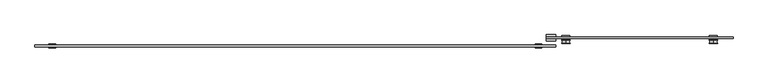
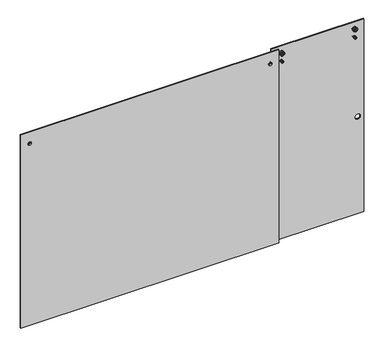
"""IFC4 building model written with IfcOpenShell, lengths in millimetres: proxy geometry."""

from ifc_helpers import new_model, si_unit, point, frame, frame_2d, origin, place, context, project, spatial, polyline, circle_curve, ellipse_curve, trimmed, segment, composite_curve, outline, extrude, source, transform, mapped, element, save
from ifc_brep_helpers import plane_surface, cylinder_surface, revolved_surface, advanced_brep


def specialty_equipment_2f8d8ad2(model_context):
    return source(origin(), model_context, "Body", "SolidModel", [
        extrude(outline(polyline([(22.954, 0.0), (22.954, 21.2725), (33.8125, 21.2725), (33.8125, 4.2672), (43.3375, 4.2672), (43.3375, 21.2725), (54.196, 21.2725), (54.196, 0.0), (22.954, 0.0)])), frame((833.4375, 0.0, 0.0), z_axis=(1.0, 0.0, 0.0), x_axis=(0.0, 1.0, 0.0)), (0.0, 0.0, 1.0), 50.8225782),
        advanced_brep(
        [(795.3375, 7.14375, 2011.5609375), (812.4825, 7.14375, 2011.5609375), (778.1925, 7.14375, 2011.5609375), (778.1925, -13.7914063, 2011.5609375), (812.4825, -13.7914063, 2011.5609375), (795.3375, -13.7914063, 2011.5609375), (778.1925, -8.73125, 2011.5609375), (812.4825, -8.73125, 2011.5609375), (788.9875, -8.73125, 2011.5609375), (801.6875, -8.73125, 2011.5609375), (788.9875, 0.79375, 2011.5609375), (801.6875, 0.79375, 2011.5609375), (778.1925, 0.79375, 2011.5609375), (812.4825, 0.79375, 2011.5609375)],
        [
            (0, 1),
            (1, 2, circle_curve(frame((795.3375, 7.14375, 2011.5609375), z_axis=(0.0, 1.0, 0.0), x_axis=(1.0, 0.0, 0.0)), 17.145)),
            (2, 0),
            (2, 1, circle_curve(frame((795.3375, 7.14375, 2011.5609375), z_axis=(0.0, 1.0, 0.0), x_axis=(1.0, 0.0, 0.0)), 17.145)),
            (3, 4, circle_curve(frame((795.3375, -13.7914063, 2011.5609375), z_axis=(0.0, -1.0, 0.0), x_axis=(1.0, 0.0, 0.0)), 17.145)),
            (4, 5),
            (5, 3),
            (4, 3, circle_curve(frame((795.3375, -13.7914063, 2011.5609375), z_axis=(0.0, -1.0, 0.0), x_axis=(1.0, 0.0, 0.0)), 17.145)),
            (6, 7, circle_curve(frame((795.3375, -8.73125, 2011.5609375), z_axis=(0.0, -1.0, 0.0), x_axis=(1.0, 0.0, 0.0)), 17.145)),
            (7, 4),
            (3, 6),
            (7, 6, circle_curve(frame((795.3375, -8.73125, 2011.5609375), z_axis=(0.0, -1.0, 0.0), x_axis=(1.0, 0.0, 0.0)), 17.145)),
            (8, 9, circle_curve(frame((795.3375, -8.73125, 2011.5609375), z_axis=(0.0, -1.0, 0.0), x_axis=(1.0, 0.0, 0.0)), 6.35)),
            (9, 7),
            (6, 8),
            (9, 8, circle_curve(frame((795.3375, -8.73125, 2011.5609375), z_axis=(0.0, -1.0, 0.0), x_axis=(1.0, 0.0, 0.0)), 6.35)),
            (10, 11, circle_curve(frame((795.3375, 0.79375, 2011.5609375), z_axis=(0.0, -1.0, 0.0), x_axis=(1.0, 0.0, 0.0)), 6.35)),
            (11, 9),
            (8, 10),
            (11, 10, circle_curve(frame((795.3375, 0.79375, 2011.5609375), z_axis=(0.0, -1.0, 0.0), x_axis=(1.0, 0.0, 0.0)), 6.35)),
            (12, 13, circle_curve(frame((795.3375, 0.79375, 2011.5609375), z_axis=(0.0, -1.0, 0.0), x_axis=(1.0, 0.0, 0.0)), 17.145)),
            (13, 11),
            (10, 12),
            (13, 12, circle_curve(frame((795.3375, 0.79375, 2011.5609375), z_axis=(0.0, -1.0, 0.0), x_axis=(1.0, 0.0, 0.0)), 17.145)),
            (1, 13),
            (12, 2),
        ],
        [
            plane_surface(frame((795.3375, 7.14375, 2011.5609375), z_axis=(0.0, 1.0, 0.0), x_axis=(1.0, 0.0, 0.0))),
            plane_surface(frame((795.3375, -13.7914063, 2011.5609375), z_axis=(0.0, -1.0, 0.0), x_axis=(1.0, 0.0, 0.0))),
            cylinder_surface(frame((795.3375, 7.14375, 2011.5609375), z_axis=(0.0, 1.0, 0.0), x_axis=(1.0, 0.0, 0.0)), 17.145),
            plane_surface(frame((795.3375, -8.73125, 2011.5609375), z_axis=(0.0, 1.0, 0.0), x_axis=(1.0, 0.0, 0.0))),
            cylinder_surface(frame((795.3375, 7.14375, 2011.5609375), z_axis=(0.0, 1.0, 0.0), x_axis=(1.0, 0.0, 0.0)), 6.35),
            plane_surface(frame((795.3375, 0.79375, 2011.5609375), z_axis=(0.0, -1.0, 0.0), x_axis=(1.0, 0.0, 0.0))),
        ],
        [
            (0, [[1, 2, 3]]),
            (0, [[-3, 4, -1]]),
            (1, [[5, 6, 7]]),
            (1, [[8, -7, -6]]),
            (2, [[9, 10, -5, 11]]),
            (2, [[12, -11, -8, -10]]),
            (3, [[13, 14, -9, 15]]),
            (3, [[16, -15, -12, -14]]),
            (4, [[17, 18, -13, 19]]),
            (4, [[20, -19, -16, -18]]),
            (5, [[21, 22, -17, 23]]),
            (5, [[24, -23, -20, -22]]),
            (2, [[-2, 25, -21, 26]]),
            (2, [[-4, -26, -24, -25]]),
        ],
    ),
        advanced_brep(
        [(-1706.5625, 7.14375, 2011.5609375), (-1689.4175, 7.14375, 2011.5609375), (-1723.7075, 7.14375, 2011.5609375), (-1723.7075, -13.7914063, 2011.5609375), (-1689.4175, -13.7914063, 2011.5609375), (-1706.5625, -13.7914063, 2011.5609375), (-1723.7075, -8.73125, 2011.5609375), (-1689.4175, -8.73125, 2011.5609375), (-1712.9125, -8.73125, 2011.5609375), (-1700.2125, -8.73125, 2011.5609375), (-1712.9125, 0.79375, 2011.5609375), (-1700.2125, 0.79375, 2011.5609375), (-1723.7075, 0.79375, 2011.5609375), (-1689.4175, 0.79375, 2011.5609375)],
        [
            (0, 1),
            (1, 2, circle_curve(frame((-1706.5625, 7.14375, 2011.5609375), z_axis=(0.0, 1.0, 0.0), x_axis=(1.0, 0.0, 0.0)), 17.145)),
            (2, 0),
            (2, 1, circle_curve(frame((-1706.5625, 7.14375, 2011.5609375), z_axis=(0.0, 1.0, 0.0), x_axis=(1.0, 0.0, 0.0)), 17.145)),
            (3, 4, circle_curve(frame((-1706.5625, -13.7914063, 2011.5609375), z_axis=(0.0, -1.0, 0.0), x_axis=(1.0, 0.0, 0.0)), 17.145)),
            (4, 5),
            (5, 3),
            (4, 3, circle_curve(frame((-1706.5625, -13.7914063, 2011.5609375), z_axis=(0.0, -1.0, 0.0), x_axis=(1.0, 0.0, 0.0)), 17.145)),
            (6, 7, circle_curve(frame((-1706.5625, -8.73125, 2011.5609375), z_axis=(0.0, -1.0, 0.0), x_axis=(1.0, 0.0, 0.0)), 17.145)),
            (7, 4),
            (3, 6),
            (7, 6, circle_curve(frame((-1706.5625, -8.73125, 2011.5609375), z_axis=(0.0, -1.0, 0.0), x_axis=(1.0, 0.0, 0.0)), 17.145)),
            (8, 9, circle_curve(frame((-1706.5625, -8.73125, 2011.5609375), z_axis=(0.0, -1.0, 0.0), x_axis=(1.0, 0.0, 0.0)), 6.35)),
            (9, 7),
            (6, 8),
            (9, 8, circle_curve(frame((-1706.5625, -8.73125, 2011.5609375), z_axis=(0.0, -1.0, 0.0), x_axis=(1.0, 0.0, 0.0)), 6.35)),
            (10, 11, circle_curve(frame((-1706.5625, 0.79375, 2011.5609375), z_axis=(0.0, -1.0, 0.0), x_axis=(1.0, 0.0, 0.0)), 6.35)),
            (11, 9),
            (8, 10),
            (11, 10, circle_curve(frame((-1706.5625, 0.79375, 2011.5609375), z_axis=(0.0, -1.0, 0.0), x_axis=(1.0, 0.0, 0.0)), 6.35)),
            (12, 13, circle_curve(frame((-1706.5625, 0.79375, 2011.5609375), z_axis=(0.0, -1.0, 0.0), x_axis=(1.0, 0.0, 0.0)), 17.145)),
            (13, 11),
            (10, 12),
            (13, 12, circle_curve(frame((-1706.5625, 0.79375, 2011.5609375), z_axis=(0.0, -1.0, 0.0), x_axis=(1.0, 0.0, 0.0)), 17.145)),
            (1, 13),
            (12, 2),
        ],
        [
            plane_surface(frame((-1706.5625, 7.14375, 2011.5609375), z_axis=(0.0, 1.0, 0.0), x_axis=(1.0, 0.0, 0.0))),
            plane_surface(frame((-1706.5625, -13.7914063, 2011.5609375), z_axis=(0.0, -1.0, 0.0), x_axis=(1.0, 0.0, 0.0))),
            cylinder_surface(frame((-1706.5625, 7.14375, 2011.5609375), z_axis=(0.0, 1.0, 0.0), x_axis=(1.0, 0.0, 0.0)), 17.145),
            plane_surface(frame((-1706.5625, -8.73125, 2011.5609375), z_axis=(0.0, 1.0, 0.0), x_axis=(1.0, 0.0, 0.0))),
            cylinder_surface(frame((-1706.5625, 7.14375, 2011.5609375), z_axis=(0.0, 1.0, 0.0), x_axis=(1.0, 0.0, 0.0)), 6.35),
            plane_surface(frame((-1706.5625, 0.79375, 2011.5609375), z_axis=(0.0, -1.0, 0.0), x_axis=(1.0, 0.0, 0.0))),
        ],
        [
            (0, [[1, 2, 3]]),
            (0, [[-3, 4, -1]]),
            (1, [[5, 6, 7]]),
            (1, [[8, -7, -6]]),
            (2, [[9, 10, -5, 11]]),
            (2, [[12, -11, -8, -10]]),
            (3, [[13, 14, -9, 15]]),
            (3, [[16, -15, -12, -14]]),
            (4, [[17, 18, -13, 19]]),
            (4, [[20, -19, -16, -18]]),
            (5, [[21, 22, -17, 23]]),
            (5, [[24, -23, -20, -22]]),
            (2, [[-2, 25, -21, 26]]),
            (2, [[-4, -26, -24, -25]]),
        ],
    ),
        extrude(outline(polyline([(884.2375, -8.73125), (-1795.4625, -8.73125), (-1795.4625, 0.79375), (884.2375, 0.79375), (884.2375, -8.73125)])), frame((0.0, 0.0, 6.35), z_axis=(0.0, 0.0, 1.0), x_axis=(1.0, 0.0, 0.0)), (0.0, 0.0, 1.0), 2127.25),
        advanced_brep(
        [(1693.8625, 7.5883812, 1975.7082127), (1693.8625, 7.5883812, 1968.0386623), (1693.8625, 7.5883812, 1970.2859375), (1693.8625, 7.5883812, 1973.4609375), (1693.8625, 8.985918, 1984.1389114), (1693.8625, 8.985918, 1959.6079636), (1693.8625, 7.6256516, 1960.4379605), (1693.8625, 7.6256516, 1983.3089145), (1693.8625, 26.3538192, 1984.2064616), (1693.8625, 26.3538192, 1959.5404134), (1693.8625, 27.4625, 1973.4609375), (1693.8625, 27.4625, 1970.2859375), (1693.8625, 27.4625, 1959.5404134), (1693.8625, 27.4625, 1984.2064616), (1693.8625, 8.6630529, 1975.7082127), (1693.8625, 8.6630529, 1968.0386623), (1693.8625, 8.6630529, 1978.8596289), (1693.8625, 8.6630529, 1964.8872461), (1693.8625, 7.6256516, 1978.8596289), (1693.8625, 7.6256516, 1964.8872461)],
        [
            (0, 1, circle_curve(frame((1693.8625, 7.5883812, 1971.8734375), z_axis=(0.0, -1.0, 0.0), x_axis=(0.0, 0.0, -1.0)), 3.8347752)),
            (1, 2),
            (2, 3, circle_curve(frame((1693.8625, 7.5883812, 1971.8734375), z_axis=(0.0, 1.0, 0.0), x_axis=(0.0, 0.0, -1.0)), 1.5875)),
            (3, 0),
            (1, 0, circle_curve(frame((1693.8625, 7.5883812, 1971.8734375), z_axis=(0.0, -1.0, 0.0), x_axis=(0.0, 0.0, -1.0)), 3.8347752)),
            (3, 2, circle_curve(frame((1693.8625, 7.5883812, 1971.8734375), z_axis=(0.0, 1.0, 0.0), x_axis=(0.0, 0.0, -1.0)), 1.5875)),
            (4, 5, circle_curve(frame((1693.8625, 8.985918, 1971.8734375), z_axis=(0.0, -1.0, 0.0), x_axis=(0.0, 0.0, -1.0)), 12.2654739)),
            (5, 6, circle_curve(frame((1693.8625, 8.5590054, 1960.4379605), z_axis=(-1.0, 0.0, 0.0), x_axis=(0.0, 1.0, 0.0)), 0.9333538)),
            (6, 7, circle_curve(frame((1693.8625, 7.6256516, 1971.8734375), z_axis=(0.0, 1.0, 0.0), x_axis=(0.0, 0.0, -1.0)), 11.435477)),
            (7, 4, circle_curve(frame((1693.8625, 8.5590054, 1983.3089145), z_axis=(-1.0, 0.0, 0.0), x_axis=(0.0, 1.0, 0.0)), 0.9333538)),
            (5, 4, circle_curve(frame((1693.8625, 8.985918, 1971.8734375), z_axis=(0.0, -1.0, 0.0), x_axis=(0.0, 0.0, -1.0)), 12.2654739)),
            (7, 6, circle_curve(frame((1693.8625, 7.6256516, 1971.8734375), z_axis=(0.0, 1.0, 0.0), x_axis=(0.0, 0.0, -1.0)), 11.435477)),
            (8, 9, circle_curve(frame((1693.8625, 26.3538192, 1971.8734375), z_axis=(0.0, -1.0, 0.0), x_axis=(0.0, 0.0, -1.0)), 12.3330241)),
            (9, 5, circle_curve(frame((1693.8625, 17.5686149, 1933.5407643), z_axis=(1.0, 0.0, 0.0), x_axis=(0.0, 1.0, 0.0)), 27.4437892)),
            (4, 8, circle_curve(frame((1693.8625, 17.5686149, 2010.2061107), z_axis=(1.0, 0.0, 0.0), x_axis=(0.0, 1.0, 0.0)), 27.4437892)),
            (9, 8, circle_curve(frame((1693.8625, 26.3538192, 1971.8734375), z_axis=(0.0, -1.0, 0.0), x_axis=(0.0, 0.0, -1.0)), 12.3330241)),
            (10, 11, circle_curve(frame((1693.8625, 27.4625, 1971.8734375), z_axis=(0.0, -1.0, 0.0), x_axis=(0.0, 0.0, -1.0)), 1.5875)),
            (11, 12),
            (12, 13, circle_curve(frame((1693.8625, 27.4625, 1971.8734375), z_axis=(0.0, 1.0, 0.0), x_axis=(0.0, 0.0, -1.0)), 12.3330241)),
            (13, 10),
            (11, 10, circle_curve(frame((1693.8625, 27.4625, 1971.8734375), z_axis=(0.0, -1.0, 0.0), x_axis=(0.0, 0.0, -1.0)), 1.5875)),
            (13, 12, circle_curve(frame((1693.8625, 27.4625, 1971.8734375), z_axis=(0.0, 1.0, 0.0), x_axis=(0.0, 0.0, -1.0)), 12.3330241)),
            (2, 11),
            (10, 3),
            (14, 15, circle_curve(frame((1693.8625, 8.6630529, 1971.8734375), z_axis=(0.0, -1.0, 0.0), x_axis=(0.0, 0.0, -1.0)), 3.8347752)),
            (15, 1),
            (0, 14),
            (15, 14, circle_curve(frame((1693.8625, 8.6630529, 1971.8734375), z_axis=(0.0, -1.0, 0.0), x_axis=(0.0, 0.0, -1.0)), 3.8347752)),
            (16, 17, circle_curve(frame((1693.8625, 8.6630529, 1971.8734375), z_axis=(0.0, -1.0, 0.0), x_axis=(0.0, 0.0, -1.0)), 6.9861914)),
            (17, 15),
            (14, 16),
            (17, 16, circle_curve(frame((1693.8625, 8.6630529, 1971.8734375), z_axis=(0.0, -1.0, 0.0), x_axis=(0.0, 0.0, -1.0)), 6.9861914)),
            (18, 19, circle_curve(frame((1693.8625, 7.6256516, 1971.8734375), z_axis=(0.0, -1.0, 0.0), x_axis=(0.0, 0.0, -1.0)), 6.9861914)),
            (19, 17),
            (16, 18),
            (19, 18, circle_curve(frame((1693.8625, 7.6256516, 1971.8734375), z_axis=(0.0, -1.0, 0.0), x_axis=(0.0, 0.0, -1.0)), 6.9861914)),
            (6, 19),
            (18, 7),
            (12, 9),
            (8, 13),
        ],
        [
            plane_surface(frame((1693.8625, 7.5883812, 1971.8734375), z_axis=(0.0, -1.0, 0.0), x_axis=(0.0, 0.0, -1.0))),
            revolved_surface(trimmed(ellipse_curve(frame((1693.8625, 8.5590054, 1960.4379605), z_axis=(1.0, 0.0, 0.0), x_axis=(0.0, 1.0, 0.0)), 0.9333538, 0.9333538), [point((1693.8625, 7.6256516, 1960.4379605))], [point((1693.8625, 8.985918, 1959.6079636))], True, "CARTESIAN"), (1693.8625, -13.5349359, 1971.8734375), (0.0, 1.0, 0.0)),
            revolved_surface(trimmed(ellipse_curve(frame((1693.8625, 17.5686149, 1933.5407643), z_axis=(-1.0, 0.0, 0.0), x_axis=(0.0, 1.0, 0.0)), 27.4437892, 27.4437892), [point((1693.8625, 8.985918, 1959.6079636))], [point((1693.8625, 26.3538192, 1959.5404134))], True, "CARTESIAN"), (1693.8625, -13.5349359, 1971.8734375), (0.0, 1.0, 0.0)),
            plane_surface(frame((1693.8625, 27.4625, 1971.8734375), z_axis=(0.0, 1.0, 0.0), x_axis=(0.0, 0.0, -1.0))),
            revolved_surface(polyline([(1693.8625, 27.4625, 1970.2859374999998), (1693.8625, 7.588381200000001, 1970.2859374999998)]), (1693.8625, -13.5349359, 1971.8734375), (0.0, 1.0, 0.0)),
            cylinder_surface(frame((1693.8625, -13.5349359, 1971.8734375), z_axis=(0.0, 1.0, 0.0), x_axis=(0.0, 0.0, -1.0)), 3.8347752),
            plane_surface(frame((1693.8625, 8.6630529, 1971.8734375), z_axis=(0.0, -1.0, 0.0), x_axis=(0.0, 0.0, -1.0))),
            revolved_surface(polyline([(1693.8625, 8.6630529, 1964.8872460999999), (1693.8625, 7.625651600000001, 1964.8872460999999)]), (1693.8625, -13.5349359, 1971.8734375), (0.0, 1.0, 0.0)),
            plane_surface(frame((1693.8625, 7.6256516, 1971.8734375), z_axis=(0.0, -1.0, 0.0), x_axis=(0.0, 0.0, -1.0))),
            cylinder_surface(frame((1693.8625, -13.5349359, 1971.8734375), z_axis=(0.0, 1.0, 0.0), x_axis=(0.0, 0.0, -1.0)), 12.3330241),
        ],
        [
            (0, [[1, 2, 3, 4]]),
            (0, [[5, -4, 6, -2]]),
            (1, [[7, 8, 9, 10]]),
            (1, [[11, -10, 12, -8]]),
            (2, [[13, 14, -7, 15]]),
            (2, [[16, -15, -11, -14]]),
            (3, [[17, 18, 19, 20]]),
            (3, [[21, -20, 22, -18]]),
            (4, [[-3, 23, -17, 24]]),
            (4, [[-6, -24, -21, -23]]),
            (5, [[25, 26, -1, 27]]),
            (5, [[28, -27, -5, -26]]),
            (6, [[29, 30, -25, 31]]),
            (6, [[32, -31, -28, -30]]),
            (7, [[33, 34, -29, 35]]),
            (7, [[36, -35, -32, -34]]),
            (8, [[-9, 37, -33, 38]]),
            (8, [[-12, -38, -36, -37]]),
            (9, [[-19, 39, -13, 40]]),
            (9, [[-22, -40, -16, -39]]),
        ],
    ),
        advanced_brep(
        [(1693.8625, 23.9534145, 2074.7365624), (1693.8625, 23.9534145, 2046.8103126), (1693.8625, 27.4625, 2046.8103126), (1693.8625, 27.4625, 2074.7365624), (1693.8625, 23.9534145, 2067.0068419), (1693.8625, 23.9534145, 2054.5400331), (1693.8625, 27.4625, 2067.0068419), (1693.8625, 27.4625, 2054.5400331), (1693.8625, 27.4625, 2062.3609375), (1693.8625, 27.4625, 2059.1859375), (1693.8625, 7.4625, 2067.0068419), (1693.8625, 7.4625, 2054.5400331), (1693.8625, 7.4625, 2059.1859375), (1693.8625, 7.4625, 2062.3609375), (1693.8625, 8.6630529, 2067.0068419), (1693.8625, 8.6630529, 2054.5400331), (1693.8625, 8.6630529, 2074.7365624), (1693.8625, 8.6630529, 2046.8103126), (1693.8625, 7.4625, 2074.7365624), (1693.8625, 7.4625, 2046.8103126), (1693.8625, 7.4625, 2081.7122212), (1693.8625, 7.4625, 2039.8346538), (1693.8625, 8.8478411, 2082.6587111), (1693.8625, 8.8478411, 2038.8881639), (1693.8625, 26.0771589, 2082.6587111), (1693.8625, 26.0771589, 2038.8881639), (1693.8625, 27.4625, 2081.7122212), (1693.8625, 27.4625, 2039.8346538)],
        [
            (0, 1, circle_curve(frame((1693.8625, 23.9534145, 2060.7734375), z_axis=(0.0, -1.0, 0.0), x_axis=(0.0, 0.0, -1.0)), 13.9631249)),
            (1, 2),
            (2, 3, circle_curve(frame((1693.8625, 27.4625, 2060.7734375), z_axis=(0.0, 1.0, 0.0), x_axis=(0.0, 0.0, -1.0)), 13.9631249)),
            (3, 0),
            (1, 0, circle_curve(frame((1693.8625, 23.9534145, 2060.7734375), z_axis=(0.0, -1.0, 0.0), x_axis=(0.0, 0.0, -1.0)), 13.9631249)),
            (3, 2, circle_curve(frame((1693.8625, 27.4625, 2060.7734375), z_axis=(0.0, 1.0, 0.0), x_axis=(0.0, 0.0, -1.0)), 13.9631249)),
            (4, 5, circle_curve(frame((1693.8625, 23.9534145, 2060.7734375), z_axis=(0.0, -1.0, 0.0), x_axis=(0.0, 0.0, -1.0)), 6.2334044)),
            (5, 1),
            (0, 4),
            (5, 4, circle_curve(frame((1693.8625, 23.9534145, 2060.7734375), z_axis=(0.0, -1.0, 0.0), x_axis=(0.0, 0.0, -1.0)), 6.2334044)),
            (6, 7, circle_curve(frame((1693.8625, 27.4625, 2060.7734375), z_axis=(0.0, -1.0, 0.0), x_axis=(0.0, 0.0, -1.0)), 6.2334044)),
            (7, 5),
            (4, 6),
            (7, 6, circle_curve(frame((1693.8625, 27.4625, 2060.7734375), z_axis=(0.0, -1.0, 0.0), x_axis=(0.0, 0.0, -1.0)), 6.2334044)),
            (8, 9, circle_curve(frame((1693.8625, 27.4625, 2060.7734375), z_axis=(0.0, -1.0, 0.0), x_axis=(0.0, 0.0, -1.0)), 1.5875)),
            (9, 7),
            (6, 8),
            (9, 8, circle_curve(frame((1693.8625, 27.4625, 2060.7734375), z_axis=(0.0, -1.0, 0.0), x_axis=(0.0, 0.0, -1.0)), 1.5875)),
            (10, 11, circle_curve(frame((1693.8625, 7.4625, 2060.7734375), z_axis=(0.0, -1.0, 0.0), x_axis=(0.0, 0.0, -1.0)), 6.2334044)),
            (11, 12),
            (12, 13, circle_curve(frame((1693.8625, 7.4625, 2060.7734375), z_axis=(0.0, 1.0, 0.0), x_axis=(0.0, 0.0, -1.0)), 1.5875)),
            (13, 10),
            (11, 10, circle_curve(frame((1693.8625, 7.4625, 2060.7734375), z_axis=(0.0, -1.0, 0.0), x_axis=(0.0, 0.0, -1.0)), 6.2334044)),
            (13, 12, circle_curve(frame((1693.8625, 7.4625, 2060.7734375), z_axis=(0.0, 1.0, 0.0), x_axis=(0.0, 0.0, -1.0)), 1.5875)),
            (14, 15, circle_curve(frame((1693.8625, 8.6630529, 2060.7734375), z_axis=(0.0, -1.0, 0.0), x_axis=(0.0, 0.0, -1.0)), 6.2334044)),
            (15, 11),
            (10, 14),
            (15, 14, circle_curve(frame((1693.8625, 8.6630529, 2060.7734375), z_axis=(0.0, -1.0, 0.0), x_axis=(0.0, 0.0, -1.0)), 6.2334044)),
            (16, 17, circle_curve(frame((1693.8625, 8.6630529, 2060.7734375), z_axis=(0.0, -1.0, 0.0), x_axis=(0.0, 0.0, -1.0)), 13.9631249)),
            (17, 15),
            (14, 16),
            (17, 16, circle_curve(frame((1693.8625, 8.6630529, 2060.7734375), z_axis=(0.0, -1.0, 0.0), x_axis=(0.0, 0.0, -1.0)), 13.9631249)),
            (18, 19, circle_curve(frame((1693.8625, 7.4625, 2060.7734375), z_axis=(0.0, -1.0, 0.0), x_axis=(0.0, 0.0, -1.0)), 13.9631249)),
            (19, 17),
            (16, 18),
            (19, 18, circle_curve(frame((1693.8625, 7.4625, 2060.7734375), z_axis=(0.0, -1.0, 0.0), x_axis=(0.0, 0.0, -1.0)), 13.9631249)),
            (20, 21, circle_curve(frame((1693.8625, 7.4625, 2060.7734375), z_axis=(0.0, -1.0, 0.0), x_axis=(0.0, 0.0, -1.0)), 20.9387837)),
            (21, 19),
            (18, 20),
            (21, 20, circle_curve(frame((1693.8625, 7.4625, 2060.7734375), z_axis=(0.0, -1.0, 0.0), x_axis=(0.0, 0.0, -1.0)), 20.9387837)),
            (22, 23, circle_curve(frame((1693.8625, 8.8478411, 2060.7734375), z_axis=(0.0, -1.0, 0.0), x_axis=(0.0, 0.0, -1.0)), 21.8852736)),
            (23, 21, circle_curve(frame((1693.8625, 8.4785, 2039.8346538), z_axis=(-1.0, 0.0, 0.0), x_axis=(0.0, 1.0, 0.0)), 1.016)),
            (20, 22, circle_curve(frame((1693.8625, 8.4785, 2081.7122212), z_axis=(-1.0, 0.0, 0.0), x_axis=(0.0, 1.0, 0.0)), 1.016)),
            (23, 22, circle_curve(frame((1693.8625, 8.8478411, 2060.7734375), z_axis=(0.0, -1.0, 0.0), x_axis=(0.0, 0.0, -1.0)), 21.8852736)),
            (24, 25, circle_curve(frame((1693.8625, 26.0771589, 2060.7734375), z_axis=(0.0, -1.0, 0.0), x_axis=(0.0, 0.0, -1.0)), 21.8852736)),
            (25, 23, circle_curve(frame((1693.8625, 17.4625, 2029.5308223), z_axis=(1.0, 0.0, 0.0), x_axis=(0.0, 1.0, 0.0)), 12.7189697)),
            (22, 24, circle_curve(frame((1693.8625, 17.4625, 2092.0160527), z_axis=(1.0, 0.0, 0.0), x_axis=(0.0, 1.0, 0.0)), 12.7189697)),
            (25, 24, circle_curve(frame((1693.8625, 26.0771589, 2060.7734375), z_axis=(0.0, -1.0, 0.0), x_axis=(0.0, 0.0, -1.0)), 21.8852736)),
            (26, 27, circle_curve(frame((1693.8625, 27.4625, 2060.7734375), z_axis=(0.0, -1.0, 0.0), x_axis=(0.0, 0.0, -1.0)), 20.9387837)),
            (27, 25, circle_curve(frame((1693.8625, 26.4465, 2039.8346538), z_axis=(-1.0, 0.0, 0.0), x_axis=(0.0, 1.0, 0.0)), 1.016)),
            (24, 26, circle_curve(frame((1693.8625, 26.4465, 2081.7122212), z_axis=(-1.0, 0.0, 0.0), x_axis=(0.0, 1.0, 0.0)), 1.016)),
            (27, 26, circle_curve(frame((1693.8625, 27.4625, 2060.7734375), z_axis=(0.0, -1.0, 0.0), x_axis=(0.0, 0.0, -1.0)), 20.9387837)),
            (2, 27),
            (26, 3),
            (12, 9),
            (8, 13),
        ],
        [
            revolved_surface(polyline([(1693.8625, 27.4625, 2046.8103126), (1693.8625, 23.9534145, 2046.8103126)]), (1693.8625, -10.752517, 2060.7734375), (0.0, 1.0, 0.0)),
            plane_surface(frame((1693.8625, 23.9534145, 2060.7734375), z_axis=(0.0, 1.0, 0.0), x_axis=(0.0, 0.0, -1.0))),
            cylinder_surface(frame((1693.8625, -10.752517, 2060.7734375), z_axis=(0.0, 1.0, 0.0), x_axis=(0.0, 0.0, -1.0)), 6.2334044),
            plane_surface(frame((1693.8625, 27.4625, 2060.7734375), z_axis=(0.0, 1.0, 0.0), x_axis=(0.0, 0.0, -1.0))),
            plane_surface(frame((1693.8625, 7.4625, 2060.7734375), z_axis=(0.0, -1.0, 0.0), x_axis=(0.0, 0.0, -1.0))),
            plane_surface(frame((1693.8625, 8.6630529, 2060.7734375), z_axis=(0.0, -1.0, 0.0), x_axis=(0.0, 0.0, -1.0))),
            revolved_surface(polyline([(1693.8625, 8.663052900000002, 2046.8103126), (1693.8625, 7.4625, 2046.8103126)]), (1693.8625, -10.752517, 2060.7734375), (0.0, 1.0, 0.0)),
            revolved_surface(trimmed(ellipse_curve(frame((1693.8625, 8.4785, 2039.8346538), z_axis=(1.0, 0.0, 0.0), x_axis=(0.0, 1.0, 0.0)), 1.016, 1.016), [point((1693.8625, 7.4625, 2039.8346538))], [point((1693.8625, 8.8478411, 2038.8881639))], True, "CARTESIAN"), (1693.8625, -10.752517, 2060.7734375), (0.0, 1.0, 0.0)),
            revolved_surface(trimmed(ellipse_curve(frame((1693.8625, 17.4625, 2029.5308223), z_axis=(-1.0, 0.0, 0.0), x_axis=(0.0, 1.0, 0.0)), 12.7189697, 12.7189697), [point((1693.8625, 8.8478411, 2038.8881639))], [point((1693.8625, 26.0771589, 2038.8881639))], True, "CARTESIAN"), (1693.8625, -10.752517, 2060.7734375), (0.0, 1.0, 0.0)),
            revolved_surface(trimmed(ellipse_curve(frame((1693.8625, 26.4465, 2039.8346538), z_axis=(1.0, 0.0, 0.0), x_axis=(0.0, 1.0, 0.0)), 1.016, 1.016), [point((1693.8625, 26.0771589, 2038.8881639))], [point((1693.8625, 27.4625, 2039.8346538))], True, "CARTESIAN"), (1693.8625, -10.752517, 2060.7734375), (0.0, 1.0, 0.0)),
            revolved_surface(polyline([(1693.8625, 27.4625, 2059.1859375), (1693.8625, 7.4625, 2059.1859375)]), (1693.8625, -10.752517, 2060.7734375), (0.0, 1.0, 0.0)),
        ],
        [
            (0, [[1, 2, 3, 4]]),
            (0, [[5, -4, 6, -2]]),
            (1, [[7, 8, -1, 9]]),
            (1, [[10, -9, -5, -8]]),
            (2, [[11, 12, -7, 13]]),
            (2, [[14, -13, -10, -12]]),
            (3, [[15, 16, -11, 17]]),
            (3, [[18, -17, -14, -16]]),
            (4, [[19, 20, 21, 22]]),
            (4, [[23, -22, 24, -20]]),
            (2, [[25, 26, -19, 27]]),
            (2, [[28, -27, -23, -26]]),
            (5, [[29, 30, -25, 31]]),
            (5, [[32, -31, -28, -30]]),
            (6, [[33, 34, -29, 35]]),
            (6, [[36, -35, -32, -34]]),
            (4, [[37, 38, -33, 39]]),
            (4, [[40, -39, -36, -38]]),
            (7, [[41, 42, -37, 43]]),
            (7, [[44, -43, -40, -42]]),
            (8, [[45, 46, -41, 47]]),
            (8, [[48, -47, -44, -46]]),
            (9, [[49, 50, -45, 51]]),
            (9, [[52, -51, -48, -50]]),
            (3, [[-3, 53, -49, 54]]),
            (3, [[-6, -54, -52, -53]]),
            (10, [[-21, 55, -15, 56]]),
            (10, [[-24, -56, -18, -55]]),
        ],
    ),
        extrude(outline(composite_curve([segment(trimmed(circle_curve(frame_2d((1971.8734375, 1693.8625)), 6.35), [point((1971.8734375, 1687.5125))], [point((1971.8734375, 1700.2125))], False, "CARTESIAN"), True, "CONTINUOUS"), segment(trimmed(circle_curve(frame_2d((1971.8734375, 1693.8625)), 6.35), [point((1971.8734375, 1700.2125))], [point((1971.8734375, 1687.5125))], False, "CARTESIAN"), True, "CONTINUOUS")], self_intersect=False)), frame((0.0, 33.8125, 0.0), z_axis=(0.0, 1.0, 0.0), x_axis=(0.0, 0.0, 1.0)), (0.0, 0.0, 1.0), 9.525),
        extrude(outline(composite_curve([segment(trimmed(circle_curve(frame_2d((2060.7734375, 1693.8625)), 6.35), [point((2060.7734375, 1687.5125))], [point((2060.7734375, 1700.2125))], False, "CARTESIAN"), True, "CONTINUOUS"), segment(trimmed(circle_curve(frame_2d((2060.7734375, 1693.8625)), 6.35), [point((2060.7734375, 1700.2125))], [point((2060.7734375, 1687.5125))], False, "CARTESIAN"), True, "CONTINUOUS")], self_intersect=False)), frame((0.0, 33.8125, 0.0), z_axis=(0.0, 1.0, 0.0), x_axis=(0.0, 0.0, 1.0)), (0.0, 0.0, 1.0), 9.525),
        extrude(outline(composite_curve([segment(trimmed(circle_curve(frame_2d((1971.8734375, 1693.8625)), 12.2900341), [point((1971.8734375, 1681.5724659))], [point((1971.8734375, 1706.1525341))], False, "CARTESIAN"), True, "CONTINUOUS"), segment(trimmed(circle_curve(frame_2d((1971.8734375, 1693.8625)), 12.2900341), [point((1971.8734375, 1706.1525341))], [point((1971.8734375, 1681.5724659))], False, "CARTESIAN"), True, "CONTINUOUS")], self_intersect=False)), frame((0.0, 43.3375, 0.0), z_axis=(0.0, 1.0, 0.0), x_axis=(0.0, 0.0, 1.0)), (0.0, 0.0, 1.0), 5.7785),
        extrude(outline(composite_curve([segment(trimmed(circle_curve(frame_2d((2060.7734375, 1693.8625)), 19.939), [point((2060.7734375, 1673.9235))], [point((2060.7734375, 1713.8015))], False, "CARTESIAN"), True, "CONTINUOUS"), segment(trimmed(circle_curve(frame_2d((2060.7734375, 1693.8625)), 19.939), [point((2060.7734375, 1713.8015))], [point((2060.7734375, 1673.9235))], False, "CARTESIAN"), True, "CONTINUOUS")], self_intersect=False)), frame((0.0, 43.3375, 0.0), z_axis=(0.0, 1.0, 0.0), x_axis=(0.0, 0.0, 1.0)), (0.0, 0.0, 1.0), 5.7625),
        extrude(outline(composite_curve([segment(trimmed(circle_curve(frame_2d((2060.7734375, 1693.8625)), 19.939), [point((2060.7734375, 1673.9235))], [point((2060.7734375, 1713.8015))], False, "CARTESIAN"), True, "CONTINUOUS"), segment(trimmed(circle_curve(frame_2d((2060.7734375, 1693.8625)), 19.939), [point((2060.7734375, 1713.8015))], [point((2060.7734375, 1673.9235))], False, "CARTESIAN"), True, "CONTINUOUS")], self_intersect=False)), frame((0.0, 27.4625, 0.0), z_axis=(0.0, 1.0, 0.0), x_axis=(0.0, 0.0, 1.0)), (0.0, 0.0, 1.0), 6.35),
        extrude(outline(composite_curve([segment(trimmed(circle_curve(frame_2d((1971.8734375, 1693.8625)), 12.3344302), [point((1971.8734375, 1681.5280698))], [point((1971.8734375, 1706.1969302))], False, "CARTESIAN"), True, "CONTINUOUS"), segment(trimmed(circle_curve(frame_2d((1971.8734375, 1693.8625)), 12.3344302), [point((1971.8734375, 1706.1969302))], [point((1971.8734375, 1681.5280698))], False, "CARTESIAN"), True, "CONTINUOUS")], self_intersect=False)), frame((0.0, 27.4625, 0.0), z_axis=(0.0, 1.0, 0.0), x_axis=(0.0, 0.0, 1.0)), (0.0, 0.0, 1.0), 6.35),
        advanced_brep(
        [(935.0375, 7.5883812, 1975.7082127), (935.0375, 7.5883812, 1968.0386623), (935.0375, 7.5883812, 1970.2859375), (935.0375, 7.5883812, 1973.4609375), (935.0375, 8.985918, 1984.1389114), (935.0375, 8.985918, 1959.6079636), (935.0375, 7.6256516, 1960.4379605), (935.0375, 7.6256516, 1983.3089145), (935.0375, 26.3538192, 1984.2064616), (935.0375, 26.3538192, 1959.5404134), (935.0375, 27.4625, 1973.4609375), (935.0375, 27.4625, 1970.2859375), (935.0375, 27.4625, 1959.5404134), (935.0375, 27.4625, 1984.2064616), (935.0375, 8.6630529, 1975.7082127), (935.0375, 8.6630529, 1968.0386623), (935.0375, 8.6630529, 1978.8596289), (935.0375, 8.6630529, 1964.8872461), (935.0375, 7.6256516, 1978.8596289), (935.0375, 7.6256516, 1964.8872461)],
        [
            (0, 1, circle_curve(frame((935.0375, 7.5883812, 1971.8734375), z_axis=(0.0, -1.0, 0.0), x_axis=(0.0, 0.0, -1.0)), 3.8347752)),
            (1, 2),
            (2, 3, circle_curve(frame((935.0375, 7.5883812, 1971.8734375), z_axis=(0.0, 1.0, 0.0), x_axis=(0.0, 0.0, -1.0)), 1.5875)),
            (3, 0),
            (1, 0, circle_curve(frame((935.0375, 7.5883812, 1971.8734375), z_axis=(0.0, -1.0, 0.0), x_axis=(0.0, 0.0, -1.0)), 3.8347752)),
            (3, 2, circle_curve(frame((935.0375, 7.5883812, 1971.8734375), z_axis=(0.0, 1.0, 0.0), x_axis=(0.0, 0.0, -1.0)), 1.5875)),
            (4, 5, circle_curve(frame((935.0375, 8.985918, 1971.8734375), z_axis=(0.0, -1.0, 0.0), x_axis=(0.0, 0.0, -1.0)), 12.2654739)),
            (5, 6, circle_curve(frame((935.0375, 8.5590054, 1960.4379605), z_axis=(-1.0, 0.0, 0.0), x_axis=(0.0, 1.0, 0.0)), 0.9333538)),
            (6, 7, circle_curve(frame((935.0375, 7.6256516, 1971.8734375), z_axis=(0.0, 1.0, 0.0), x_axis=(0.0, 0.0, -1.0)), 11.435477)),
            (7, 4, circle_curve(frame((935.0375, 8.5590054, 1983.3089145), z_axis=(-1.0, 0.0, 0.0), x_axis=(0.0, 1.0, 0.0)), 0.9333538)),
            (5, 4, circle_curve(frame((935.0375, 8.985918, 1971.8734375), z_axis=(0.0, -1.0, 0.0), x_axis=(0.0, 0.0, -1.0)), 12.2654739)),
            (7, 6, circle_curve(frame((935.0375, 7.6256516, 1971.8734375), z_axis=(0.0, 1.0, 0.0), x_axis=(0.0, 0.0, -1.0)), 11.435477)),
            (8, 9, circle_curve(frame((935.0375, 26.3538192, 1971.8734375), z_axis=(0.0, -1.0, 0.0), x_axis=(0.0, 0.0, -1.0)), 12.3330241)),
            (9, 5, circle_curve(frame((935.0375, 17.5686149, 1933.5407643), z_axis=(1.0, 0.0, 0.0), x_axis=(0.0, 1.0, 0.0)), 27.4437892)),
            (4, 8, circle_curve(frame((935.0375, 17.5686149, 2010.2061107), z_axis=(1.0, 0.0, 0.0), x_axis=(0.0, 1.0, 0.0)), 27.4437892)),
            (9, 8, circle_curve(frame((935.0375, 26.3538192, 1971.8734375), z_axis=(0.0, -1.0, 0.0), x_axis=(0.0, 0.0, -1.0)), 12.3330241)),
            (10, 11, circle_curve(frame((935.0375, 27.4625, 1971.8734375), z_axis=(0.0, -1.0, 0.0), x_axis=(0.0, 0.0, -1.0)), 1.5875)),
            (11, 12),
            (12, 13, circle_curve(frame((935.0375, 27.4625, 1971.8734375), z_axis=(0.0, 1.0, 0.0), x_axis=(0.0, 0.0, -1.0)), 12.3330241)),
            (13, 10),
            (11, 10, circle_curve(frame((935.0375, 27.4625, 1971.8734375), z_axis=(0.0, -1.0, 0.0), x_axis=(0.0, 0.0, -1.0)), 1.5875)),
            (13, 12, circle_curve(frame((935.0375, 27.4625, 1971.8734375), z_axis=(0.0, 1.0, 0.0), x_axis=(0.0, 0.0, -1.0)), 12.3330241)),
            (2, 11),
            (10, 3),
            (14, 15, circle_curve(frame((935.0375, 8.6630529, 1971.8734375), z_axis=(0.0, -1.0, 0.0), x_axis=(0.0, 0.0, -1.0)), 3.8347752)),
            (15, 1),
            (0, 14),
            (15, 14, circle_curve(frame((935.0375, 8.6630529, 1971.8734375), z_axis=(0.0, -1.0, 0.0), x_axis=(0.0, 0.0, -1.0)), 3.8347752)),
            (16, 17, circle_curve(frame((935.0375, 8.6630529, 1971.8734375), z_axis=(0.0, -1.0, 0.0), x_axis=(0.0, 0.0, -1.0)), 6.9861914)),
            (17, 15),
            (14, 16),
            (17, 16, circle_curve(frame((935.0375, 8.6630529, 1971.8734375), z_axis=(0.0, -1.0, 0.0), x_axis=(0.0, 0.0, -1.0)), 6.9861914)),
            (18, 19, circle_curve(frame((935.0375, 7.6256516, 1971.8734375), z_axis=(0.0, -1.0, 0.0), x_axis=(0.0, 0.0, -1.0)), 6.9861914)),
            (19, 17),
            (16, 18),
            (19, 18, circle_curve(frame((935.0375, 7.6256516, 1971.8734375), z_axis=(0.0, -1.0, 0.0), x_axis=(0.0, 0.0, -1.0)), 6.9861914)),
            (6, 19),
            (18, 7),
            (12, 9),
            (8, 13),
        ],
        [
            plane_surface(frame((935.0375, 7.5883812, 1971.8734375), z_axis=(0.0, -1.0, 0.0), x_axis=(0.0, 0.0, -1.0))),
            revolved_surface(trimmed(ellipse_curve(frame((935.0375, 8.5590054, 1960.4379605), z_axis=(1.0, 0.0, 0.0), x_axis=(0.0, 1.0, 0.0)), 0.9333538, 0.9333538), [point((935.0375, 7.6256516, 1960.4379605))], [point((935.0375, 8.985918, 1959.6079636))], True, "CARTESIAN"), (935.0375, -13.5349359, 1971.8734375), (0.0, 1.0, 0.0)),
            revolved_surface(trimmed(ellipse_curve(frame((935.0375, 17.5686149, 1933.5407643), z_axis=(-1.0, 0.0, 0.0), x_axis=(0.0, 1.0, 0.0)), 27.4437892, 27.4437892), [point((935.0375, 8.985918, 1959.6079636))], [point((935.0375, 26.3538192, 1959.5404134))], True, "CARTESIAN"), (935.0375, -13.5349359, 1971.8734375), (0.0, 1.0, 0.0)),
            plane_surface(frame((935.0375, 27.4625, 1971.8734375), z_axis=(0.0, 1.0, 0.0), x_axis=(0.0, 0.0, -1.0))),
            revolved_surface(polyline([(935.0375, 27.4625, 1970.2859374999998), (935.0375, 7.588381200000001, 1970.2859374999998)]), (935.0375, -13.5349359, 1971.8734375), (0.0, 1.0, 0.0)),
            cylinder_surface(frame((935.0375, -13.5349359, 1971.8734375), z_axis=(0.0, 1.0, 0.0), x_axis=(0.0, 0.0, -1.0)), 3.8347752),
            plane_surface(frame((935.0375, 8.6630529, 1971.8734375), z_axis=(0.0, -1.0, 0.0), x_axis=(0.0, 0.0, -1.0))),
            revolved_surface(polyline([(935.0375, 8.6630529, 1964.8872460999999), (935.0375, 7.625651600000001, 1964.8872460999999)]), (935.0375, -13.5349359, 1971.8734375), (0.0, 1.0, 0.0)),
            plane_surface(frame((935.0375, 7.6256516, 1971.8734375), z_axis=(0.0, -1.0, 0.0), x_axis=(0.0, 0.0, -1.0))),
            cylinder_surface(frame((935.0375, -13.5349359, 1971.8734375), z_axis=(0.0, 1.0, 0.0), x_axis=(0.0, 0.0, -1.0)), 12.3330241),
        ],
        [
            (0, [[1, 2, 3, 4]]),
            (0, [[5, -4, 6, -2]]),
            (1, [[7, 8, 9, 10]]),
            (1, [[11, -10, 12, -8]]),
            (2, [[13, 14, -7, 15]]),
            (2, [[16, -15, -11, -14]]),
            (3, [[17, 18, 19, 20]]),
            (3, [[21, -20, 22, -18]]),
            (4, [[-3, 23, -17, 24]]),
            (4, [[-6, -24, -21, -23]]),
            (5, [[25, 26, -1, 27]]),
            (5, [[28, -27, -5, -26]]),
            (6, [[29, 30, -25, 31]]),
            (6, [[32, -31, -28, -30]]),
            (7, [[33, 34, -29, 35]]),
            (7, [[36, -35, -32, -34]]),
            (8, [[-9, 37, -33, 38]]),
            (8, [[-12, -38, -36, -37]]),
            (9, [[-19, 39, -13, 40]]),
            (9, [[-22, -40, -16, -39]]),
        ],
    ),
        advanced_brep(
        [(935.0375, 23.9534145, 2074.7365624), (935.0375, 23.9534145, 2046.8103126), (935.0375, 27.4625, 2046.8103126), (935.0375, 27.4625, 2074.7365624), (935.0375, 23.9534145, 2067.0068419), (935.0375, 23.9534145, 2054.5400331), (935.0375, 27.4625, 2067.0068419), (935.0375, 27.4625, 2054.5400331), (935.0375, 27.4625, 2062.3609375), (935.0375, 27.4625, 2059.1859375), (935.0375, 7.4625, 2067.0068419), (935.0375, 7.4625, 2054.5400331), (935.0375, 7.4625, 2059.1859375), (935.0375, 7.4625, 2062.3609375), (935.0375, 8.6630529, 2067.0068419), (935.0375, 8.6630529, 2054.5400331), (935.0375, 8.6630529, 2074.7365624), (935.0375, 8.6630529, 2046.8103126), (935.0375, 7.4625, 2074.7365624), (935.0375, 7.4625, 2046.8103126), (935.0375, 7.4625, 2081.7122212), (935.0375, 7.4625, 2039.8346538), (935.0375, 8.8478411, 2082.6587111), (935.0375, 8.8478411, 2038.8881639), (935.0375, 26.0771589, 2082.6587111), (935.0375, 26.0771589, 2038.8881639), (935.0375, 27.4625, 2081.7122212), (935.0375, 27.4625, 2039.8346538)],
        [
            (0, 1, circle_curve(frame((935.0375, 23.9534145, 2060.7734375), z_axis=(0.0, -1.0, 0.0), x_axis=(0.0, 0.0, -1.0)), 13.9631249)),
            (1, 2),
            (2, 3, circle_curve(frame((935.0375, 27.4625, 2060.7734375), z_axis=(0.0, 1.0, 0.0), x_axis=(0.0, 0.0, -1.0)), 13.9631249)),
            (3, 0),
            (1, 0, circle_curve(frame((935.0375, 23.9534145, 2060.7734375), z_axis=(0.0, -1.0, 0.0), x_axis=(0.0, 0.0, -1.0)), 13.9631249)),
            (3, 2, circle_curve(frame((935.0375, 27.4625, 2060.7734375), z_axis=(0.0, 1.0, 0.0), x_axis=(0.0, 0.0, -1.0)), 13.9631249)),
            (4, 5, circle_curve(frame((935.0375, 23.9534145, 2060.7734375), z_axis=(0.0, -1.0, 0.0), x_axis=(0.0, 0.0, -1.0)), 6.2334044)),
            (5, 1),
            (0, 4),
            (5, 4, circle_curve(frame((935.0375, 23.9534145, 2060.7734375), z_axis=(0.0, -1.0, 0.0), x_axis=(0.0, 0.0, -1.0)), 6.2334044)),
            (6, 7, circle_curve(frame((935.0375, 27.4625, 2060.7734375), z_axis=(0.0, -1.0, 0.0), x_axis=(0.0, 0.0, -1.0)), 6.2334044)),
            (7, 5),
            (4, 6),
            (7, 6, circle_curve(frame((935.0375, 27.4625, 2060.7734375), z_axis=(0.0, -1.0, 0.0), x_axis=(0.0, 0.0, -1.0)), 6.2334044)),
            (8, 9, circle_curve(frame((935.0375, 27.4625, 2060.7734375), z_axis=(0.0, -1.0, 0.0), x_axis=(0.0, 0.0, -1.0)), 1.5875)),
            (9, 7),
            (6, 8),
            (9, 8, circle_curve(frame((935.0375, 27.4625, 2060.7734375), z_axis=(0.0, -1.0, 0.0), x_axis=(0.0, 0.0, -1.0)), 1.5875)),
            (10, 11, circle_curve(frame((935.0375, 7.4625, 2060.7734375), z_axis=(0.0, -1.0, 0.0), x_axis=(0.0, 0.0, -1.0)), 6.2334044)),
            (11, 12),
            (12, 13, circle_curve(frame((935.0375, 7.4625, 2060.7734375), z_axis=(0.0, 1.0, 0.0), x_axis=(0.0, 0.0, -1.0)), 1.5875)),
            (13, 10),
            (11, 10, circle_curve(frame((935.0375, 7.4625, 2060.7734375), z_axis=(0.0, -1.0, 0.0), x_axis=(0.0, 0.0, -1.0)), 6.2334044)),
            (13, 12, circle_curve(frame((935.0375, 7.4625, 2060.7734375), z_axis=(0.0, 1.0, 0.0), x_axis=(0.0, 0.0, -1.0)), 1.5875)),
            (14, 15, circle_curve(frame((935.0375, 8.6630529, 2060.7734375), z_axis=(0.0, -1.0, 0.0), x_axis=(0.0, 0.0, -1.0)), 6.2334044)),
            (15, 11),
            (10, 14),
            (15, 14, circle_curve(frame((935.0375, 8.6630529, 2060.7734375), z_axis=(0.0, -1.0, 0.0), x_axis=(0.0, 0.0, -1.0)), 6.2334044)),
            (16, 17, circle_curve(frame((935.0375, 8.6630529, 2060.7734375), z_axis=(0.0, -1.0, 0.0), x_axis=(0.0, 0.0, -1.0)), 13.9631249)),
            (17, 15),
            (14, 16),
            (17, 16, circle_curve(frame((935.0375, 8.6630529, 2060.7734375), z_axis=(0.0, -1.0, 0.0), x_axis=(0.0, 0.0, -1.0)), 13.9631249)),
            (18, 19, circle_curve(frame((935.0375, 7.4625, 2060.7734375), z_axis=(0.0, -1.0, 0.0), x_axis=(0.0, 0.0, -1.0)), 13.9631249)),
            (19, 17),
            (16, 18),
            (19, 18, circle_curve(frame((935.0375, 7.4625, 2060.7734375), z_axis=(0.0, -1.0, 0.0), x_axis=(0.0, 0.0, -1.0)), 13.9631249)),
            (20, 21, circle_curve(frame((935.0375, 7.4625, 2060.7734375), z_axis=(0.0, -1.0, 0.0), x_axis=(0.0, 0.0, -1.0)), 20.9387837)),
            (21, 19),
            (18, 20),
            (21, 20, circle_curve(frame((935.0375, 7.4625, 2060.7734375), z_axis=(0.0, -1.0, 0.0), x_axis=(0.0, 0.0, -1.0)), 20.9387837)),
            (22, 23, circle_curve(frame((935.0375, 8.8478411, 2060.7734375), z_axis=(0.0, -1.0, 0.0), x_axis=(0.0, 0.0, -1.0)), 21.8852736)),
            (23, 21, circle_curve(frame((935.0375, 8.4785, 2039.8346538), z_axis=(-1.0, 0.0, 0.0), x_axis=(0.0, 1.0, 0.0)), 1.016)),
            (20, 22, circle_curve(frame((935.0375, 8.4785, 2081.7122212), z_axis=(-1.0, 0.0, 0.0), x_axis=(0.0, 1.0, 0.0)), 1.016)),
            (23, 22, circle_curve(frame((935.0375, 8.8478411, 2060.7734375), z_axis=(0.0, -1.0, 0.0), x_axis=(0.0, 0.0, -1.0)), 21.8852736)),
            (24, 25, circle_curve(frame((935.0375, 26.0771589, 2060.7734375), z_axis=(0.0, -1.0, 0.0), x_axis=(0.0, 0.0, -1.0)), 21.8852736)),
            (25, 23, circle_curve(frame((935.0375, 17.4625, 2029.5308223), z_axis=(1.0, 0.0, 0.0), x_axis=(0.0, 1.0, 0.0)), 12.7189697)),
            (22, 24, circle_curve(frame((935.0375, 17.4625, 2092.0160527), z_axis=(1.0, 0.0, 0.0), x_axis=(0.0, 1.0, 0.0)), 12.7189697)),
            (25, 24, circle_curve(frame((935.0375, 26.0771589, 2060.7734375), z_axis=(0.0, -1.0, 0.0), x_axis=(0.0, 0.0, -1.0)), 21.8852736)),
            (26, 27, circle_curve(frame((935.0375, 27.4625, 2060.7734375), z_axis=(0.0, -1.0, 0.0), x_axis=(0.0, 0.0, -1.0)), 20.9387837)),
            (27, 25, circle_curve(frame((935.0375, 26.4465, 2039.8346538), z_axis=(-1.0, 0.0, 0.0), x_axis=(0.0, 1.0, 0.0)), 1.016)),
            (24, 26, circle_curve(frame((935.0375, 26.4465, 2081.7122212), z_axis=(-1.0, 0.0, 0.0), x_axis=(0.0, 1.0, 0.0)), 1.016)),
            (27, 26, circle_curve(frame((935.0375, 27.4625, 2060.7734375), z_axis=(0.0, -1.0, 0.0), x_axis=(0.0, 0.0, -1.0)), 20.9387837)),
            (2, 27),
            (26, 3),
            (12, 9),
            (8, 13),
        ],
        [
            revolved_surface(polyline([(935.0375, 27.4625, 2046.8103126), (935.0375, 23.9534145, 2046.8103126)]), (935.0375, -10.752517, 2060.7734375), (0.0, 1.0, 0.0)),
            plane_surface(frame((935.0375, 23.9534145, 2060.7734375), z_axis=(0.0, 1.0, 0.0), x_axis=(0.0, 0.0, -1.0))),
            cylinder_surface(frame((935.0375, -10.752517, 2060.7734375), z_axis=(0.0, 1.0, 0.0), x_axis=(0.0, 0.0, -1.0)), 6.2334044),
            plane_surface(frame((935.0375, 27.4625, 2060.7734375), z_axis=(0.0, 1.0, 0.0), x_axis=(0.0, 0.0, -1.0))),
            plane_surface(frame((935.0375, 7.4625, 2060.7734375), z_axis=(0.0, -1.0, 0.0), x_axis=(0.0, 0.0, -1.0))),
            plane_surface(frame((935.0375, 8.6630529, 2060.7734375), z_axis=(0.0, -1.0, 0.0), x_axis=(0.0, 0.0, -1.0))),
            revolved_surface(polyline([(935.0375, 8.663052900000002, 2046.8103126), (935.0375, 7.4625, 2046.8103126)]), (935.0375, -10.752517, 2060.7734375), (0.0, 1.0, 0.0)),
            revolved_surface(trimmed(ellipse_curve(frame((935.0375, 8.4785, 2039.8346538), z_axis=(1.0, 0.0, 0.0), x_axis=(0.0, 1.0, 0.0)), 1.016, 1.016), [point((935.0375, 7.4625, 2039.8346538))], [point((935.0375, 8.8478411, 2038.8881639))], True, "CARTESIAN"), (935.0375, -10.752517, 2060.7734375), (0.0, 1.0, 0.0)),
            revolved_surface(trimmed(ellipse_curve(frame((935.0375, 17.4625, 2029.5308223), z_axis=(-1.0, 0.0, 0.0), x_axis=(0.0, 1.0, 0.0)), 12.7189697, 12.7189697), [point((935.0375, 8.8478411, 2038.8881639))], [point((935.0375, 26.0771589, 2038.8881639))], True, "CARTESIAN"), (935.0375, -10.752517, 2060.7734375), (0.0, 1.0, 0.0)),
            revolved_surface(trimmed(ellipse_curve(frame((935.0375, 26.4465, 2039.8346538), z_axis=(1.0, 0.0, 0.0), x_axis=(0.0, 1.0, 0.0)), 1.016, 1.016), [point((935.0375, 26.0771589, 2038.8881639))], [point((935.0375, 27.4625, 2039.8346538))], True, "CARTESIAN"), (935.0375, -10.752517, 2060.7734375), (0.0, 1.0, 0.0)),
            revolved_surface(polyline([(935.0375, 27.4625, 2059.1859375), (935.0375, 7.4625, 2059.1859375)]), (935.0375, -10.752517, 2060.7734375), (0.0, 1.0, 0.0)),
        ],
        [
            (0, [[1, 2, 3, 4]]),
            (0, [[5, -4, 6, -2]]),
            (1, [[7, 8, -1, 9]]),
            (1, [[10, -9, -5, -8]]),
            (2, [[11, 12, -7, 13]]),
            (2, [[14, -13, -10, -12]]),
            (3, [[15, 16, -11, 17]]),
            (3, [[18, -17, -14, -16]]),
            (4, [[19, 20, 21, 22]]),
            (4, [[23, -22, 24, -20]]),
            (2, [[25, 26, -19, 27]]),
            (2, [[28, -27, -23, -26]]),
            (5, [[29, 30, -25, 31]]),
            (5, [[32, -31, -28, -30]]),
            (6, [[33, 34, -29, 35]]),
            (6, [[36, -35, -32, -34]]),
            (4, [[37, 38, -33, 39]]),
            (4, [[40, -39, -36, -38]]),
            (7, [[41, 42, -37, 43]]),
            (7, [[44, -43, -40, -42]]),
            (8, [[45, 46, -41, 47]]),
            (8, [[48, -47, -44, -46]]),
            (9, [[49, 50, -45, 51]]),
            (9, [[52, -51, -48, -50]]),
            (3, [[-3, 53, -49, 54]]),
            (3, [[-6, -54, -52, -53]]),
            (10, [[-21, 55, -15, 56]]),
            (10, [[-24, -56, -18, -55]]),
        ],
    ),
        extrude(outline(composite_curve([segment(trimmed(circle_curve(frame_2d((1971.8734375, 935.0375)), 6.35), [point((1971.8734375, 928.6875))], [point((1971.8734375, 941.3875))], False, "CARTESIAN"), True, "CONTINUOUS"), segment(trimmed(circle_curve(frame_2d((1971.8734375, 935.0375)), 6.35), [point((1971.8734375, 941.3875))], [point((1971.8734375, 928.6875))], False, "CARTESIAN"), True, "CONTINUOUS")], self_intersect=False)), frame((0.0, 33.8125, 0.0), z_axis=(0.0, 1.0, 0.0), x_axis=(0.0, 0.0, 1.0)), (0.0, 0.0, 1.0), 9.525),
        extrude(outline(composite_curve([segment(trimmed(circle_curve(frame_2d((2060.7734375, 935.0375)), 6.35), [point((2060.7734375, 928.6875))], [point((2060.7734375, 941.3875))], False, "CARTESIAN"), True, "CONTINUOUS"), segment(trimmed(circle_curve(frame_2d((2060.7734375, 935.0375)), 6.35), [point((2060.7734375, 941.3875))], [point((2060.7734375, 928.6875))], False, "CARTESIAN"), True, "CONTINUOUS")], self_intersect=False)), frame((0.0, 33.8125, 0.0), z_axis=(0.0, 1.0, 0.0), x_axis=(0.0, 0.0, 1.0)), (0.0, 0.0, 1.0), 9.525),
        extrude(outline(composite_curve([segment(trimmed(circle_curve(frame_2d((1971.8734375, 935.0375)), 12.2900341), [point((1971.8734375, 922.7474659))], [point((1971.8734375, 947.3275341))], False, "CARTESIAN"), True, "CONTINUOUS"), segment(trimmed(circle_curve(frame_2d((1971.8734375, 935.0375)), 12.2900341), [point((1971.8734375, 947.3275341))], [point((1971.8734375, 922.7474659))], False, "CARTESIAN"), True, "CONTINUOUS")], self_intersect=False)), frame((0.0, 43.3375, 0.0), z_axis=(0.0, 1.0, 0.0), x_axis=(0.0, 0.0, 1.0)), (0.0, 0.0, 1.0), 5.7785),
        extrude(outline(composite_curve([segment(trimmed(circle_curve(frame_2d((2060.7734375, 935.0375)), 19.939), [point((2060.7734375, 915.0985))], [point((2060.7734375, 954.9765))], False, "CARTESIAN"), True, "CONTINUOUS"), segment(trimmed(circle_curve(frame_2d((2060.7734375, 935.0375)), 19.939), [point((2060.7734375, 954.9765))], [point((2060.7734375, 915.0985))], False, "CARTESIAN"), True, "CONTINUOUS")], self_intersect=False)), frame((0.0, 43.3375, 0.0), z_axis=(0.0, 1.0, 0.0), x_axis=(0.0, 0.0, 1.0)), (0.0, 0.0, 1.0), 5.7625),
        extrude(outline(composite_curve([segment(trimmed(circle_curve(frame_2d((2060.7734375, 935.0375)), 19.939), [point((2060.7734375, 915.0985))], [point((2060.7734375, 954.9765))], False, "CARTESIAN"), True, "CONTINUOUS"), segment(trimmed(circle_curve(frame_2d((2060.7734375, 935.0375)), 19.939), [point((2060.7734375, 954.9765))], [point((2060.7734375, 915.0985))], False, "CARTESIAN"), True, "CONTINUOUS")], self_intersect=False)), frame((0.0, 27.4625, 0.0), z_axis=(0.0, 1.0, 0.0), x_axis=(0.0, 0.0, 1.0)), (0.0, 0.0, 1.0), 6.35),
        extrude(outline(composite_curve([segment(trimmed(circle_curve(frame_2d((1971.8734375, 935.0375)), 12.3344302), [point((1971.8734375, 922.7030698))], [point((1971.8734375, 947.3719302))], False, "CARTESIAN"), True, "CONTINUOUS"), segment(trimmed(circle_curve(frame_2d((1971.8734375, 935.0375)), 12.3344302), [point((1971.8734375, 947.3719302))], [point((1971.8734375, 922.7030698))], False, "CARTESIAN"), True, "CONTINUOUS")], self_intersect=False)), frame((0.0, 27.4625, 0.0), z_axis=(0.0, 1.0, 0.0), x_axis=(0.0, 0.0, 1.0)), (0.0, 0.0, 1.0), 6.35),
        advanced_brep(
        [(1795.4625, 33.8125, 2133.6), (1795.4625, 43.3375, 2133.6), (833.4375, 43.3375, 2133.6), (833.4375, 33.8125, 2133.6), (1795.4625, 33.8125, 9.525), (833.4375, 33.8125, 9.525), (833.4375, 43.3375, 9.525), (1795.4625, 43.3375, 9.525), (1731.9625, 43.3375, 1103.3125), (1731.9625, 43.3375, 1049.3375), (1731.9625, 33.8125, 1049.3375), (1731.9625, 33.8125, 1103.3125), (1731.9625, 38.575, 1103.3125), (1731.9625, 38.575, 1049.3375)],
        [
            (0, 1),
            (1, 2),
            (2, 3),
            (3, 0),
            (4, 5),
            (5, 6),
            (6, 7),
            (7, 4),
            (0, 4),
            (7, 1),
            (6, 2),
            (8, 9, circle_curve(frame((1731.9625, 43.3375, 1076.325), z_axis=(0.0, -1.0, 0.0), x_axis=(0.0, 0.0, -1.0)), 26.9875)),
            (9, 8, circle_curve(frame((1731.9625, 43.3375, 1076.325), z_axis=(0.0, -1.0, 0.0), x_axis=(0.0, 0.0, -1.0)), 26.9875)),
            (5, 3),
            (10, 11, circle_curve(frame((1731.9625, 33.8125, 1076.325), z_axis=(0.0, 1.0, 0.0), x_axis=(0.0, 0.0, -1.0)), 26.9875)),
            (11, 10, circle_curve(frame((1731.9625, 33.8125, 1076.325), z_axis=(0.0, 1.0, 0.0), x_axis=(0.0, 0.0, -1.0)), 26.9875)),
            (8, 12),
            (12, 13, circle_curve(frame((1731.9625, 38.575, 1076.325), z_axis=(0.0, -1.0, 0.0), x_axis=(0.0, 0.0, -1.0)), 26.9875)),
            (13, 9),
            (13, 12, circle_curve(frame((1731.9625, 38.575, 1076.325), z_axis=(0.0, -1.0, 0.0), x_axis=(0.0, 0.0, -1.0)), 26.9875)),
            (12, 11),
            (10, 13),
        ],
        [
            plane_surface(frame((1795.4625, 43.3375, 2133.6), z_axis=(0.0, 0.0, 1.0), x_axis=(0.0, 1.0, 0.0))),
            plane_surface(frame((1795.4625, 43.3375, 9.525), z_axis=(0.0, 0.0, -1.0), x_axis=(0.0, -1.0, 0.0))),
            plane_surface(frame((1795.4625, 33.8125, 2133.6), z_axis=(1.0, 0.0, 0.0), x_axis=(0.0, 0.0, -1.0))),
            plane_surface(frame((1795.4625, 43.3375, 2133.6), z_axis=(0.0, 1.0, 0.0), x_axis=(0.0, 0.0, -1.0))),
            plane_surface(frame((833.4375, 43.3375, 2133.6), z_axis=(-1.0, 0.0, 0.0), x_axis=(0.0, 0.0, -1.0))),
            plane_surface(frame((833.4375, 33.8125, 2133.6), z_axis=(0.0, -1.0, 0.0), x_axis=(0.0, 0.0, -1.0))),
            revolved_surface(polyline([(1731.9625, 43.337500000000006, 1049.3375), (1731.9625, 38.57500000000002, 1049.3375)]), (1731.9625, -229.3360248, 1076.325), (0.0, 1.0, 0.0)),
            revolved_surface(polyline([(1731.9625, 38.57499999999982, 1049.3375), (1731.9625, 33.8125, 1049.3375)]), (1731.9625, 2128.0461068, 1076.325), (0.0, 1.0, 0.0)),
        ],
        [
            (0, [[1, 2, 3, 4]]),
            (1, [[5, 6, 7, 8]]),
            (2, [[-1, 9, -8, 10]]),
            (3, [[-2, -10, -7, 11], [12, 13]]),
            (4, [[-3, -11, -6, 14]]),
            (5, [[-4, -14, -5, -9], [15, 16]]),
            (6, [[17, 18, 19, -12]]),
            (6, [[-17, -13, -19, 20]]),
            (7, [[21, -15, 22, -18]]),
            (7, [[-21, -20, -22, -16]]),
        ],
    ),
    ])


if __name__ == "__main__":
    model = new_model("IFC4")
    model_context = context("Model", 3, world=origin())
    ifc_project = project(units=[si_unit("LENGTHUNIT", "METRE", prefix="MILLI")], contexts=[model_context])
    site = spatial("IfcSite", under=ifc_project)
    building = spatial("IfcBuilding", under=site)
    placement = place(None, origin())
    specialty_equipment_shape = specialty_equipment_2f8d8ad2(model_context)
    element("IfcBuildingElementProxy", 1, Name="Specialty Equipment", at=placement, inside=building, context=model_context, shape_type="MappedRepresentation", body=[
        mapped(specialty_equipment_shape, transform((0.0, 0.0, 0.0), x_axis=(1.0, 0.0, 0.0), y_axis=(0.0, 1.0, 0.0), z_axis=(0.0, 0.0, 1.0))),
    ])
    save(model, "model.ifc")
